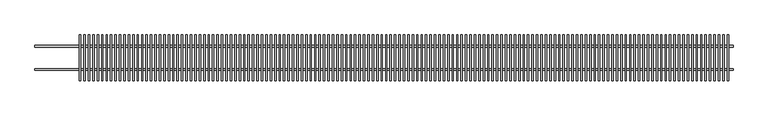
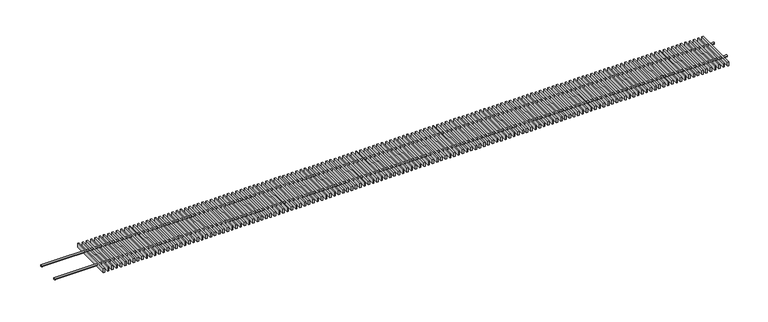
"""IFC4 building model written with IfcOpenShell, lengths in millimetres: proxy geometry."""

from ifc_helpers import new_model, si_unit, point, frame, frame_2d, origin, place, context, project, spatial, polyline, circle_curve, trimmed, segment, composite_curve, outline, extrude, source, transform, mapped, element, save


def mechanical_equipment_9ff9b8e7(model_context):
    return source(origin(), model_context, "Body", "SweptSolid", [
        extrude(outline(polyline([(2972.955414, -98.5), (2972.955414, 98.5), (2978.955414, 98.5), (2978.955414, -98.5), (2972.955414, -98.5)])), frame((0.0, 0.0, 77.0), z_axis=(0.0, 0.0, 1.0), x_axis=(1.0, 0.0, 0.0)), (0.0, 0.0, 1.0), 18.0),
        extrude(outline(polyline([(2953.910828, -98.5), (2953.910828, 98.5), (2959.910828, 98.5), (2959.910828, -98.5), (2953.910828, -98.5)])), frame((0.0, 0.0, 77.0), z_axis=(0.0, 0.0, 1.0), x_axis=(1.0, 0.0, 0.0)), (0.0, 0.0, 1.0), 18.0),
        extrude(outline(polyline([(2934.866242, -98.5), (2934.866242, 98.5), (2940.866242, 98.5), (2940.866242, -98.5), (2934.866242, -98.5)])), frame((0.0, 0.0, 77.0), z_axis=(0.0, 0.0, 1.0), x_axis=(1.0, 0.0, 0.0)), (0.0, 0.0, 1.0), 18.0),
        extrude(outline(polyline([(2915.8216561, -98.5), (2915.8216561, 98.5), (2921.8216561, 98.5), (2921.8216561, -98.5), (2915.8216561, -98.5)])), frame((0.0, 0.0, 77.0), z_axis=(0.0, 0.0, 1.0), x_axis=(1.0, 0.0, 0.0)), (0.0, 0.0, 1.0), 18.0),
        extrude(outline(polyline([(2896.7770701, -98.5), (2896.7770701, 98.5), (2902.7770701, 98.5), (2902.7770701, -98.5), (2896.7770701, -98.5)])), frame((0.0, 0.0, 77.0), z_axis=(0.0, 0.0, 1.0), x_axis=(1.0, 0.0, 0.0)), (0.0, 0.0, 1.0), 18.0),
        extrude(outline(polyline([(2877.7324841, -98.5), (2877.7324841, 98.5), (2883.7324841, 98.5), (2883.7324841, -98.5), (2877.7324841, -98.5)])), frame((0.0, 0.0, 77.0), z_axis=(0.0, 0.0, 1.0), x_axis=(1.0, 0.0, 0.0)), (0.0, 0.0, 1.0), 18.0),
        extrude(outline(polyline([(2858.6878981, -98.5), (2858.6878981, 98.5), (2864.6878981, 98.5), (2864.6878981, -98.5), (2858.6878981, -98.5)])), frame((0.0, 0.0, 77.0), z_axis=(0.0, 0.0, 1.0), x_axis=(1.0, 0.0, 0.0)), (0.0, 0.0, 1.0), 18.0),
        extrude(outline(polyline([(2839.6433121, -98.5), (2839.6433121, 98.5), (2845.6433121, 98.5), (2845.6433121, -98.5), (2839.6433121, -98.5)])), frame((0.0, 0.0, 77.0), z_axis=(0.0, 0.0, 1.0), x_axis=(1.0, 0.0, 0.0)), (0.0, 0.0, 1.0), 18.0),
        extrude(outline(polyline([(2820.5987261, -98.5), (2820.5987261, 98.5), (2826.5987261, 98.5), (2826.5987261, -98.5), (2820.5987261, -98.5)])), frame((0.0, 0.0, 77.0), z_axis=(0.0, 0.0, 1.0), x_axis=(1.0, 0.0, 0.0)), (0.0, 0.0, 1.0), 18.0),
        extrude(outline(polyline([(2801.5541401, -98.5), (2801.5541401, 98.5), (2807.5541401, 98.5), (2807.5541401, -98.5), (2801.5541401, -98.5)])), frame((0.0, 0.0, 77.0), z_axis=(0.0, 0.0, 1.0), x_axis=(1.0, 0.0, 0.0)), (0.0, 0.0, 1.0), 18.0),
        extrude(outline(polyline([(2782.5095541, -98.5), (2782.5095541, 98.5), (2788.5095541, 98.5), (2788.5095541, -98.5), (2782.5095541, -98.5)])), frame((0.0, 0.0, 77.0), z_axis=(0.0, 0.0, 1.0), x_axis=(1.0, 0.0, 0.0)), (0.0, 0.0, 1.0), 18.0),
        extrude(outline(polyline([(2763.4649682, -98.5), (2763.4649682, 98.5), (2769.4649682, 98.5), (2769.4649682, -98.5), (2763.4649682, -98.5)])), frame((0.0, 0.0, 77.0), z_axis=(0.0, 0.0, 1.0), x_axis=(1.0, 0.0, 0.0)), (0.0, 0.0, 1.0), 18.0),
        extrude(outline(polyline([(2744.4203822, -98.5), (2744.4203822, 98.5), (2750.4203822, 98.5), (2750.4203822, -98.5), (2744.4203822, -98.5)])), frame((0.0, 0.0, 77.0), z_axis=(0.0, 0.0, 1.0), x_axis=(1.0, 0.0, 0.0)), (0.0, 0.0, 1.0), 18.0),
        extrude(outline(polyline([(2725.3757962, -98.5), (2725.3757962, 98.5), (2731.3757962, 98.5), (2731.3757962, -98.5), (2725.3757962, -98.5)])), frame((0.0, 0.0, 77.0), z_axis=(0.0, 0.0, 1.0), x_axis=(1.0, 0.0, 0.0)), (0.0, 0.0, 1.0), 18.0),
        extrude(outline(polyline([(2706.3312102, -98.5), (2706.3312102, 98.5), (2712.3312102, 98.5), (2712.3312102, -98.5), (2706.3312102, -98.5)])), frame((0.0, 0.0, 77.0), z_axis=(0.0, 0.0, 1.0), x_axis=(1.0, 0.0, 0.0)), (0.0, 0.0, 1.0), 18.0),
        extrude(outline(polyline([(2687.2866242, -98.5), (2687.2866242, 98.5), (2693.2866242, 98.5), (2693.2866242, -98.5), (2687.2866242, -98.5)])), frame((0.0, 0.0, 77.0), z_axis=(0.0, 0.0, 1.0), x_axis=(1.0, 0.0, 0.0)), (0.0, 0.0, 1.0), 18.0),
        extrude(outline(polyline([(2668.2420382, -98.5), (2668.2420382, 98.5), (2674.2420382, 98.5), (2674.2420382, -98.5), (2668.2420382, -98.5)])), frame((0.0, 0.0, 77.0), z_axis=(0.0, 0.0, 1.0), x_axis=(1.0, 0.0, 0.0)), (0.0, 0.0, 1.0), 18.0),
        extrude(outline(polyline([(2649.1974522, -98.5), (2649.1974522, 98.5), (2655.1974522, 98.5), (2655.1974522, -98.5), (2649.1974522, -98.5)])), frame((0.0, 0.0, 77.0), z_axis=(0.0, 0.0, 1.0), x_axis=(1.0, 0.0, 0.0)), (0.0, 0.0, 1.0), 18.0),
        extrude(outline(polyline([(2630.1528662, -98.5), (2630.1528662, 98.5), (2636.1528662, 98.5), (2636.1528662, -98.5), (2630.1528662, -98.5)])), frame((0.0, 0.0, 77.0), z_axis=(0.0, 0.0, 1.0), x_axis=(1.0, 0.0, 0.0)), (0.0, 0.0, 1.0), 18.0),
        extrude(outline(polyline([(2611.1082803, -98.5), (2611.1082803, 98.5), (2617.1082803, 98.5), (2617.1082803, -98.5), (2611.1082803, -98.5)])), frame((0.0, 0.0, 77.0), z_axis=(0.0, 0.0, 1.0), x_axis=(1.0, 0.0, 0.0)), (0.0, 0.0, 1.0), 18.0),
        extrude(outline(polyline([(2592.0636943, -98.5), (2592.0636943, 98.5), (2598.0636943, 98.5), (2598.0636943, -98.5), (2592.0636943, -98.5)])), frame((0.0, 0.0, 77.0), z_axis=(0.0, 0.0, 1.0), x_axis=(1.0, 0.0, 0.0)), (0.0, 0.0, 1.0), 18.0),
        extrude(outline(polyline([(2573.0191083, -98.5), (2573.0191083, 98.5), (2579.0191083, 98.5), (2579.0191083, -98.5), (2573.0191083, -98.5)])), frame((0.0, 0.0, 77.0), z_axis=(0.0, 0.0, 1.0), x_axis=(1.0, 0.0, 0.0)), (0.0, 0.0, 1.0), 18.0),
        extrude(outline(polyline([(2553.9745223, -98.5), (2553.9745223, 98.5), (2559.9745223, 98.5), (2559.9745223, -98.5), (2553.9745223, -98.5)])), frame((0.0, 0.0, 77.0), z_axis=(0.0, 0.0, 1.0), x_axis=(1.0, 0.0, 0.0)), (0.0, 0.0, 1.0), 18.0),
        extrude(outline(polyline([(2534.9299363, -98.5), (2534.9299363, 98.5), (2540.9299363, 98.5), (2540.9299363, -98.5), (2534.9299363, -98.5)])), frame((0.0, 0.0, 77.0), z_axis=(0.0, 0.0, 1.0), x_axis=(1.0, 0.0, 0.0)), (0.0, 0.0, 1.0), 18.0),
        extrude(outline(polyline([(2515.8853503, -98.5), (2515.8853503, 98.5), (2521.8853503, 98.5), (2521.8853503, -98.5), (2515.8853503, -98.5)])), frame((0.0, 0.0, 77.0), z_axis=(0.0, 0.0, 1.0), x_axis=(1.0, 0.0, 0.0)), (0.0, 0.0, 1.0), 18.0),
        extrude(outline(polyline([(2496.8407643, -98.5), (2496.8407643, 98.5), (2502.8407643, 98.5), (2502.8407643, -98.5), (2496.8407643, -98.5)])), frame((0.0, 0.0, 77.0), z_axis=(0.0, 0.0, 1.0), x_axis=(1.0, 0.0, 0.0)), (0.0, 0.0, 1.0), 18.0),
        extrude(outline(polyline([(2477.7961783, -98.5), (2477.7961783, 98.5), (2483.7961783, 98.5), (2483.7961783, -98.5), (2477.7961783, -98.5)])), frame((0.0, 0.0, 77.0), z_axis=(0.0, 0.0, 1.0), x_axis=(1.0, 0.0, 0.0)), (0.0, 0.0, 1.0), 18.0),
        extrude(outline(polyline([(2458.7515924, -98.5), (2458.7515924, 98.5), (2464.7515924, 98.5), (2464.7515924, -98.5), (2458.7515924, -98.5)])), frame((0.0, 0.0, 77.0), z_axis=(0.0, 0.0, 1.0), x_axis=(1.0, 0.0, 0.0)), (0.0, 0.0, 1.0), 18.0),
        extrude(outline(polyline([(2439.7070064, -98.5), (2439.7070064, 98.5), (2445.7070064, 98.5), (2445.7070064, -98.5), (2439.7070064, -98.5)])), frame((0.0, 0.0, 77.0), z_axis=(0.0, 0.0, 1.0), x_axis=(1.0, 0.0, 0.0)), (0.0, 0.0, 1.0), 18.0),
        extrude(outline(polyline([(2420.6624204, -98.5), (2420.6624204, 98.5), (2426.6624204, 98.5), (2426.6624204, -98.5), (2420.6624204, -98.5)])), frame((0.0, 0.0, 77.0), z_axis=(0.0, 0.0, 1.0), x_axis=(1.0, 0.0, 0.0)), (0.0, 0.0, 1.0), 18.0),
        extrude(outline(polyline([(2401.6178344, -98.5), (2401.6178344, 98.5), (2407.6178344, 98.5), (2407.6178344, -98.5), (2401.6178344, -98.5)])), frame((0.0, 0.0, 77.0), z_axis=(0.0, 0.0, 1.0), x_axis=(1.0, 0.0, 0.0)), (0.0, 0.0, 1.0), 18.0),
        extrude(outline(polyline([(2382.5732484, -98.5), (2382.5732484, 98.5), (2388.5732484, 98.5), (2388.5732484, -98.5), (2382.5732484, -98.5)])), frame((0.0, 0.0, 77.0), z_axis=(0.0, 0.0, 1.0), x_axis=(1.0, 0.0, 0.0)), (0.0, 0.0, 1.0), 18.0),
        extrude(outline(polyline([(2363.5286624, -98.5), (2363.5286624, 98.5), (2369.5286624, 98.5), (2369.5286624, -98.5), (2363.5286624, -98.5)])), frame((0.0, 0.0, 77.0), z_axis=(0.0, 0.0, 1.0), x_axis=(1.0, 0.0, 0.0)), (0.0, 0.0, 1.0), 18.0),
        extrude(outline(polyline([(2344.4840764, -98.5), (2344.4840764, 98.5), (2350.4840764, 98.5), (2350.4840764, -98.5), (2344.4840764, -98.5)])), frame((0.0, 0.0, 77.0), z_axis=(0.0, 0.0, 1.0), x_axis=(1.0, 0.0, 0.0)), (0.0, 0.0, 1.0), 18.0),
        extrude(outline(polyline([(2325.4394904, -98.5), (2325.4394904, 98.5), (2331.4394904, 98.5), (2331.4394904, -98.5), (2325.4394904, -98.5)])), frame((0.0, 0.0, 77.0), z_axis=(0.0, 0.0, 1.0), x_axis=(1.0, 0.0, 0.0)), (0.0, 0.0, 1.0), 18.0),
        extrude(outline(polyline([(2306.3949045, -98.5), (2306.3949045, 98.5), (2312.3949045, 98.5), (2312.3949045, -98.5), (2306.3949045, -98.5)])), frame((0.0, 0.0, 77.0), z_axis=(0.0, 0.0, 1.0), x_axis=(1.0, 0.0, 0.0)), (0.0, 0.0, 1.0), 18.0),
        extrude(outline(polyline([(2287.3503185, -98.5), (2287.3503185, 98.5), (2293.3503185, 98.5), (2293.3503185, -98.5), (2287.3503185, -98.5)])), frame((0.0, 0.0, 77.0), z_axis=(0.0, 0.0, 1.0), x_axis=(1.0, 0.0, 0.0)), (0.0, 0.0, 1.0), 18.0),
        extrude(outline(polyline([(2268.3057325, -98.5), (2268.3057325, 98.5), (2274.3057325, 98.5), (2274.3057325, -98.5), (2268.3057325, -98.5)])), frame((0.0, 0.0, 77.0), z_axis=(0.0, 0.0, 1.0), x_axis=(1.0, 0.0, 0.0)), (0.0, 0.0, 1.0), 18.0),
        extrude(outline(polyline([(2249.2611465, -98.5), (2249.2611465, 98.5), (2255.2611465, 98.5), (2255.2611465, -98.5), (2249.2611465, -98.5)])), frame((0.0, 0.0, 77.0), z_axis=(0.0, 0.0, 1.0), x_axis=(1.0, 0.0, 0.0)), (0.0, 0.0, 1.0), 18.0),
        extrude(outline(polyline([(2230.2165605, -98.5), (2230.2165605, 98.5), (2236.2165605, 98.5), (2236.2165605, -98.5), (2230.2165605, -98.5)])), frame((0.0, 0.0, 77.0), z_axis=(0.0, 0.0, 1.0), x_axis=(1.0, 0.0, 0.0)), (0.0, 0.0, 1.0), 18.0),
        extrude(outline(polyline([(2211.1719745, -98.5), (2211.1719745, 98.5), (2217.1719745, 98.5), (2217.1719745, -98.5), (2211.1719745, -98.5)])), frame((0.0, 0.0, 77.0), z_axis=(0.0, 0.0, 1.0), x_axis=(1.0, 0.0, 0.0)), (0.0, 0.0, 1.0), 18.0),
        extrude(outline(polyline([(2192.1273885, -98.5), (2192.1273885, 98.5), (2198.1273885, 98.5), (2198.1273885, -98.5), (2192.1273885, -98.5)])), frame((0.0, 0.0, 77.0), z_axis=(0.0, 0.0, 1.0), x_axis=(1.0, 0.0, 0.0)), (0.0, 0.0, 1.0), 18.0),
        extrude(outline(polyline([(2173.0828025, -98.5), (2173.0828025, 98.5), (2179.0828025, 98.5), (2179.0828025, -98.5), (2173.0828025, -98.5)])), frame((0.0, 0.0, 77.0), z_axis=(0.0, 0.0, 1.0), x_axis=(1.0, 0.0, 0.0)), (0.0, 0.0, 1.0), 18.0),
        extrude(outline(polyline([(2154.0382166, -98.5), (2154.0382166, 98.5), (2160.0382166, 98.5), (2160.0382166, -98.5), (2154.0382166, -98.5)])), frame((0.0, 0.0, 77.0), z_axis=(0.0, 0.0, 1.0), x_axis=(1.0, 0.0, 0.0)), (0.0, 0.0, 1.0), 18.0),
        extrude(outline(polyline([(2134.9936306, -98.5), (2134.9936306, 98.5), (2140.9936306, 98.5), (2140.9936306, -98.5), (2134.9936306, -98.5)])), frame((0.0, 0.0, 77.0), z_axis=(0.0, 0.0, 1.0), x_axis=(1.0, 0.0, 0.0)), (0.0, 0.0, 1.0), 18.0),
        extrude(outline(polyline([(2115.9490446, -98.5), (2115.9490446, 98.5), (2121.9490446, 98.5), (2121.9490446, -98.5), (2115.9490446, -98.5)])), frame((0.0, 0.0, 77.0), z_axis=(0.0, 0.0, 1.0), x_axis=(1.0, 0.0, 0.0)), (0.0, 0.0, 1.0), 18.0),
        extrude(outline(polyline([(2096.9044586, -98.5), (2096.9044586, 98.5), (2102.9044586, 98.5), (2102.9044586, -98.5), (2096.9044586, -98.5)])), frame((0.0, 0.0, 77.0), z_axis=(0.0, 0.0, 1.0), x_axis=(1.0, 0.0, 0.0)), (0.0, 0.0, 1.0), 18.0),
        extrude(outline(polyline([(2077.8598726, -98.5), (2077.8598726, 98.5), (2083.8598726, 98.5), (2083.8598726, -98.5), (2077.8598726, -98.5)])), frame((0.0, 0.0, 77.0), z_axis=(0.0, 0.0, 1.0), x_axis=(1.0, 0.0, 0.0)), (0.0, 0.0, 1.0), 18.0),
        extrude(outline(polyline([(2058.8152866, -98.5), (2058.8152866, 98.5), (2064.8152866, 98.5), (2064.8152866, -98.5), (2058.8152866, -98.5)])), frame((0.0, 0.0, 77.0), z_axis=(0.0, 0.0, 1.0), x_axis=(1.0, 0.0, 0.0)), (0.0, 0.0, 1.0), 18.0),
        extrude(outline(polyline([(2039.7707006, -98.5), (2039.7707006, 98.5), (2045.7707006, 98.5), (2045.7707006, -98.5), (2039.7707006, -98.5)])), frame((0.0, 0.0, 77.0), z_axis=(0.0, 0.0, 1.0), x_axis=(1.0, 0.0, 0.0)), (0.0, 0.0, 1.0), 18.0),
        extrude(outline(polyline([(2020.7261146, -98.5), (2020.7261146, 98.5), (2026.7261146, 98.5), (2026.7261146, -98.5), (2020.7261146, -98.5)])), frame((0.0, 0.0, 77.0), z_axis=(0.0, 0.0, 1.0), x_axis=(1.0, 0.0, 0.0)), (0.0, 0.0, 1.0), 18.0),
        extrude(outline(polyline([(2001.6815287, -98.5), (2001.6815287, 98.5), (2007.6815287, 98.5), (2007.6815287, -98.5), (2001.6815287, -98.5)])), frame((0.0, 0.0, 77.0), z_axis=(0.0, 0.0, 1.0), x_axis=(1.0, 0.0, 0.0)), (0.0, 0.0, 1.0), 18.0),
        extrude(outline(polyline([(1982.6369427, -98.5), (1982.6369427, 98.5), (1988.6369427, 98.5), (1988.6369427, -98.5), (1982.6369427, -98.5)])), frame((0.0, 0.0, 77.0), z_axis=(0.0, 0.0, 1.0), x_axis=(1.0, 0.0, 0.0)), (0.0, 0.0, 1.0), 18.0),
        extrude(outline(polyline([(1963.5923567, -98.5), (1963.5923567, 98.5), (1969.5923567, 98.5), (1969.5923567, -98.5), (1963.5923567, -98.5)])), frame((0.0, 0.0, 77.0), z_axis=(0.0, 0.0, 1.0), x_axis=(1.0, 0.0, 0.0)), (0.0, 0.0, 1.0), 18.0),
        extrude(outline(polyline([(1944.5477707, -98.5), (1944.5477707, 98.5), (1950.5477707, 98.5), (1950.5477707, -98.5), (1944.5477707, -98.5)])), frame((0.0, 0.0, 77.0), z_axis=(0.0, 0.0, 1.0), x_axis=(1.0, 0.0, 0.0)), (0.0, 0.0, 1.0), 18.0),
        extrude(outline(polyline([(1925.5031847, -98.5), (1925.5031847, 98.5), (1931.5031847, 98.5), (1931.5031847, -98.5), (1925.5031847, -98.5)])), frame((0.0, 0.0, 77.0), z_axis=(0.0, 0.0, 1.0), x_axis=(1.0, 0.0, 0.0)), (0.0, 0.0, 1.0), 18.0),
        extrude(outline(polyline([(1906.4585987, -98.5), (1906.4585987, 98.5), (1912.4585987, 98.5), (1912.4585987, -98.5), (1906.4585987, -98.5)])), frame((0.0, 0.0, 77.0), z_axis=(0.0, 0.0, 1.0), x_axis=(1.0, 0.0, 0.0)), (0.0, 0.0, 1.0), 18.0),
        extrude(outline(polyline([(1887.4140127, -98.5), (1887.4140127, 98.5), (1893.4140127, 98.5), (1893.4140127, -98.5), (1887.4140127, -98.5)])), frame((0.0, 0.0, 77.0), z_axis=(0.0, 0.0, 1.0), x_axis=(1.0, 0.0, 0.0)), (0.0, 0.0, 1.0), 18.0),
        extrude(outline(polyline([(1868.3694268, -98.5), (1868.3694268, 98.5), (1874.3694268, 98.5), (1874.3694268, -98.5), (1868.3694268, -98.5)])), frame((0.0, 0.0, 77.0), z_axis=(0.0, 0.0, 1.0), x_axis=(1.0, 0.0, 0.0)), (0.0, 0.0, 1.0), 18.0),
        extrude(outline(polyline([(1849.3248408, -98.5), (1849.3248408, 98.5), (1855.3248408, 98.5), (1855.3248408, -98.5), (1849.3248408, -98.5)])), frame((0.0, 0.0, 77.0), z_axis=(0.0, 0.0, 1.0), x_axis=(1.0, 0.0, 0.0)), (0.0, 0.0, 1.0), 18.0),
        extrude(outline(polyline([(1830.2802548, -98.5), (1830.2802548, 98.5), (1836.2802548, 98.5), (1836.2802548, -98.5), (1830.2802548, -98.5)])), frame((0.0, 0.0, 77.0), z_axis=(0.0, 0.0, 1.0), x_axis=(1.0, 0.0, 0.0)), (0.0, 0.0, 1.0), 18.0),
        extrude(outline(polyline([(1811.2356688, -98.5), (1811.2356688, 98.5), (1817.2356688, 98.5), (1817.2356688, -98.5), (1811.2356688, -98.5)])), frame((0.0, 0.0, 77.0), z_axis=(0.0, 0.0, 1.0), x_axis=(1.0, 0.0, 0.0)), (0.0, 0.0, 1.0), 18.0),
        extrude(outline(polyline([(1792.1910828, -98.5), (1792.1910828, 98.5), (1798.1910828, 98.5), (1798.1910828, -98.5), (1792.1910828, -98.5)])), frame((0.0, 0.0, 77.0), z_axis=(0.0, 0.0, 1.0), x_axis=(1.0, 0.0, 0.0)), (0.0, 0.0, 1.0), 18.0),
        extrude(outline(polyline([(1773.1464968, -98.5), (1773.1464968, 98.5), (1779.1464968, 98.5), (1779.1464968, -98.5), (1773.1464968, -98.5)])), frame((0.0, 0.0, 77.0), z_axis=(0.0, 0.0, 1.0), x_axis=(1.0, 0.0, 0.0)), (0.0, 0.0, 1.0), 18.0),
        extrude(outline(polyline([(1754.1019108, -98.5), (1754.1019108, 98.5), (1760.1019108, 98.5), (1760.1019108, -98.5), (1754.1019108, -98.5)])), frame((0.0, 0.0, 77.0), z_axis=(0.0, 0.0, 1.0), x_axis=(1.0, 0.0, 0.0)), (0.0, 0.0, 1.0), 18.0),
        extrude(outline(polyline([(1735.0573248, -98.5), (1735.0573248, 98.5), (1741.0573248, 98.5), (1741.0573248, -98.5), (1735.0573248, -98.5)])), frame((0.0, 0.0, 77.0), z_axis=(0.0, 0.0, 1.0), x_axis=(1.0, 0.0, 0.0)), (0.0, 0.0, 1.0), 18.0),
        extrude(outline(polyline([(1716.0127389, -98.5), (1716.0127389, 98.5), (1722.0127389, 98.5), (1722.0127389, -98.5), (1716.0127389, -98.5)])), frame((0.0, 0.0, 77.0), z_axis=(0.0, 0.0, 1.0), x_axis=(1.0, 0.0, 0.0)), (0.0, 0.0, 1.0), 18.0),
        extrude(outline(polyline([(1696.9681529, -98.5), (1696.9681529, 98.5), (1702.9681529, 98.5), (1702.9681529, -98.5), (1696.9681529, -98.5)])), frame((0.0, 0.0, 77.0), z_axis=(0.0, 0.0, 1.0), x_axis=(1.0, 0.0, 0.0)), (0.0, 0.0, 1.0), 18.0),
        extrude(outline(polyline([(1677.9235669, -98.5), (1677.9235669, 98.5), (1683.9235669, 98.5), (1683.9235669, -98.5), (1677.9235669, -98.5)])), frame((0.0, 0.0, 77.0), z_axis=(0.0, 0.0, 1.0), x_axis=(1.0, 0.0, 0.0)), (0.0, 0.0, 1.0), 18.0),
        extrude(outline(polyline([(1658.8789809, -98.5), (1658.8789809, 98.5), (1664.8789809, 98.5), (1664.8789809, -98.5), (1658.8789809, -98.5)])), frame((0.0, 0.0, 77.0), z_axis=(0.0, 0.0, 1.0), x_axis=(1.0, 0.0, 0.0)), (0.0, 0.0, 1.0), 18.0),
        extrude(outline(polyline([(1639.8343949, -98.5), (1639.8343949, 98.5), (1645.8343949, 98.5), (1645.8343949, -98.5), (1639.8343949, -98.5)])), frame((0.0, 0.0, 77.0), z_axis=(0.0, 0.0, 1.0), x_axis=(1.0, 0.0, 0.0)), (0.0, 0.0, 1.0), 18.0),
        extrude(outline(polyline([(1620.7898089, -98.5), (1620.7898089, 98.5), (1626.7898089, 98.5), (1626.7898089, -98.5), (1620.7898089, -98.5)])), frame((0.0, 0.0, 77.0), z_axis=(0.0, 0.0, 1.0), x_axis=(1.0, 0.0, 0.0)), (0.0, 0.0, 1.0), 18.0),
        extrude(outline(polyline([(1601.7452229, -98.5), (1601.7452229, 98.5), (1607.7452229, 98.5), (1607.7452229, -98.5), (1601.7452229, -98.5)])), frame((0.0, 0.0, 77.0), z_axis=(0.0, 0.0, 1.0), x_axis=(1.0, 0.0, 0.0)), (0.0, 0.0, 1.0), 18.0),
        extrude(outline(polyline([(1582.7006369, -98.5), (1582.7006369, 98.5), (1588.7006369, 98.5), (1588.7006369, -98.5), (1582.7006369, -98.5)])), frame((0.0, 0.0, 77.0), z_axis=(0.0, 0.0, 1.0), x_axis=(1.0, 0.0, 0.0)), (0.0, 0.0, 1.0), 18.0),
        extrude(outline(polyline([(1563.656051, -98.5), (1563.656051, 98.5), (1569.656051, 98.5), (1569.656051, -98.5), (1563.656051, -98.5)])), frame((0.0, 0.0, 77.0), z_axis=(0.0, 0.0, 1.0), x_axis=(1.0, 0.0, 0.0)), (0.0, 0.0, 1.0), 18.0),
        extrude(outline(polyline([(1544.611465, -98.5), (1544.611465, 98.5), (1550.611465, 98.5), (1550.611465, -98.5), (1544.611465, -98.5)])), frame((0.0, 0.0, 77.0), z_axis=(0.0, 0.0, 1.0), x_axis=(1.0, 0.0, 0.0)), (0.0, 0.0, 1.0), 18.0),
        extrude(outline(polyline([(1525.566879, -98.5), (1525.566879, 98.5), (1531.566879, 98.5), (1531.566879, -98.5), (1525.566879, -98.5)])), frame((0.0, 0.0, 77.0), z_axis=(0.0, 0.0, 1.0), x_axis=(1.0, 0.0, 0.0)), (0.0, 0.0, 1.0), 18.0),
        extrude(outline(polyline([(1506.522293, -98.5), (1506.522293, 98.5), (1512.522293, 98.5), (1512.522293, -98.5), (1506.522293, -98.5)])), frame((0.0, 0.0, 77.0), z_axis=(0.0, 0.0, 1.0), x_axis=(1.0, 0.0, 0.0)), (0.0, 0.0, 1.0), 18.0),
        extrude(outline(polyline([(1487.477707, -98.5), (1487.477707, 98.5), (1493.477707, 98.5), (1493.477707, -98.5), (1487.477707, -98.5)])), frame((0.0, 0.0, 77.0), z_axis=(0.0, 0.0, 1.0), x_axis=(1.0, 0.0, 0.0)), (0.0, 0.0, 1.0), 18.0),
        extrude(outline(composite_curve([segment(trimmed(circle_curve(frame_2d((-50.0, 86.0)), 4.0), [point((-54.0, 86.0))], [point((-46.0, 86.0))], False, "CARTESIAN"), True, "CONTINUOUS"), segment(trimmed(circle_curve(frame_2d((-50.0, 86.0)), 4.0), [point((-46.0, 86.0))], [point((-54.0, 86.0))], False, "CARTESIAN"), True, "CONTINUOUS")], self_intersect=False)), frame((1.5, 0.0, 0.0), z_axis=(1.0, 0.0, 0.0), x_axis=(0.0, 1.0, 0.0)), (0.0, 0.0, 1.0), 2997.0),
        extrude(outline(composite_curve([segment(trimmed(circle_curve(frame_2d((50.0, 86.0)), 4.0), [point((46.0, 86.0))], [point((54.0, 86.0))], False, "CARTESIAN"), True, "CONTINUOUS"), segment(trimmed(circle_curve(frame_2d((50.0, 86.0)), 4.0), [point((54.0, 86.0))], [point((46.0, 86.0))], False, "CARTESIAN"), True, "CONTINUOUS")], self_intersect=False)), frame((1.5, 0.0, 0.0), z_axis=(1.0, 0.0, 0.0), x_axis=(0.0, 1.0, 0.0)), (0.0, 0.0, 1.0), 2997.0),
        extrude(outline(polyline([(1468.433121, -98.5), (1468.433121, 98.5), (1474.433121, 98.5), (1474.433121, -98.5), (1468.433121, -98.5)])), frame((0.0, 0.0, 77.0), z_axis=(0.0, 0.0, 1.0), x_axis=(1.0, 0.0, 0.0)), (0.0, 0.0, 1.0), 18.0),
        extrude(outline(polyline([(1449.388535, -98.5), (1449.388535, 98.5), (1455.388535, 98.5), (1455.388535, -98.5), (1449.388535, -98.5)])), frame((0.0, 0.0, 77.0), z_axis=(0.0, 0.0, 1.0), x_axis=(1.0, 0.0, 0.0)), (0.0, 0.0, 1.0), 18.0),
        extrude(outline(polyline([(1430.343949, -98.5), (1430.343949, 98.5), (1436.343949, 98.5), (1436.343949, -98.5), (1430.343949, -98.5)])), frame((0.0, 0.0, 77.0), z_axis=(0.0, 0.0, 1.0), x_axis=(1.0, 0.0, 0.0)), (0.0, 0.0, 1.0), 18.0),
        extrude(outline(polyline([(1411.2993631, -98.5), (1411.2993631, 98.5), (1417.2993631, 98.5), (1417.2993631, -98.5), (1411.2993631, -98.5)])), frame((0.0, 0.0, 77.0), z_axis=(0.0, 0.0, 1.0), x_axis=(1.0, 0.0, 0.0)), (0.0, 0.0, 1.0), 18.0),
        extrude(outline(polyline([(1392.2547771, -98.5), (1392.2547771, 98.5), (1398.2547771, 98.5), (1398.2547771, -98.5), (1392.2547771, -98.5)])), frame((0.0, 0.0, 77.0), z_axis=(0.0, 0.0, 1.0), x_axis=(1.0, 0.0, 0.0)), (0.0, 0.0, 1.0), 18.0),
        extrude(outline(polyline([(1373.2101911, -98.5), (1373.2101911, 98.5), (1379.2101911, 98.5), (1379.2101911, -98.5), (1373.2101911, -98.5)])), frame((0.0, 0.0, 77.0), z_axis=(0.0, 0.0, 1.0), x_axis=(1.0, 0.0, 0.0)), (0.0, 0.0, 1.0), 18.0),
        extrude(outline(polyline([(1354.1656051, -98.5), (1354.1656051, 98.5), (1360.1656051, 98.5), (1360.1656051, -98.5), (1354.1656051, -98.5)])), frame((0.0, 0.0, 77.0), z_axis=(0.0, 0.0, 1.0), x_axis=(1.0, 0.0, 0.0)), (0.0, 0.0, 1.0), 18.0),
        extrude(outline(polyline([(1335.1210191, -98.5), (1335.1210191, 98.5), (1341.1210191, 98.5), (1341.1210191, -98.5), (1335.1210191, -98.5)])), frame((0.0, 0.0, 77.0), z_axis=(0.0, 0.0, 1.0), x_axis=(1.0, 0.0, 0.0)), (0.0, 0.0, 1.0), 18.0),
        extrude(outline(polyline([(1316.0764331, -98.5), (1316.0764331, 98.5), (1322.0764331, 98.5), (1322.0764331, -98.5), (1316.0764331, -98.5)])), frame((0.0, 0.0, 77.0), z_axis=(0.0, 0.0, 1.0), x_axis=(1.0, 0.0, 0.0)), (0.0, 0.0, 1.0), 18.0),
        extrude(outline(polyline([(1297.0318471, -98.5), (1297.0318471, 98.5), (1303.0318471, 98.5), (1303.0318471, -98.5), (1297.0318471, -98.5)])), frame((0.0, 0.0, 77.0), z_axis=(0.0, 0.0, 1.0), x_axis=(1.0, 0.0, 0.0)), (0.0, 0.0, 1.0), 18.0),
        extrude(outline(polyline([(1277.9872611, -98.5), (1277.9872611, 98.5), (1283.9872611, 98.5), (1283.9872611, -98.5), (1277.9872611, -98.5)])), frame((0.0, 0.0, 77.0), z_axis=(0.0, 0.0, 1.0), x_axis=(1.0, 0.0, 0.0)), (0.0, 0.0, 1.0), 18.0),
        extrude(outline(polyline([(1258.9426752, -98.5), (1258.9426752, 98.5), (1264.9426752, 98.5), (1264.9426752, -98.5), (1258.9426752, -98.5)])), frame((0.0, 0.0, 77.0), z_axis=(0.0, 0.0, 1.0), x_axis=(1.0, 0.0, 0.0)), (0.0, 0.0, 1.0), 18.0),
        extrude(outline(polyline([(1239.8980892, -98.5), (1239.8980892, 98.5), (1245.8980892, 98.5), (1245.8980892, -98.5), (1239.8980892, -98.5)])), frame((0.0, 0.0, 77.0), z_axis=(0.0, 0.0, 1.0), x_axis=(1.0, 0.0, 0.0)), (0.0, 0.0, 1.0), 18.0),
        extrude(outline(polyline([(1220.8535032, -98.5), (1220.8535032, 98.5), (1226.8535032, 98.5), (1226.8535032, -98.5), (1220.8535032, -98.5)])), frame((0.0, 0.0, 77.0), z_axis=(0.0, 0.0, 1.0), x_axis=(1.0, 0.0, 0.0)), (0.0, 0.0, 1.0), 18.0),
        extrude(outline(polyline([(1201.8089172, -98.5), (1201.8089172, 98.5), (1207.8089172, 98.5), (1207.8089172, -98.5), (1201.8089172, -98.5)])), frame((0.0, 0.0, 77.0), z_axis=(0.0, 0.0, 1.0), x_axis=(1.0, 0.0, 0.0)), (0.0, 0.0, 1.0), 18.0),
        extrude(outline(polyline([(1182.7643312, -98.5), (1182.7643312, 98.5), (1188.7643312, 98.5), (1188.7643312, -98.5), (1182.7643312, -98.5)])), frame((0.0, 0.0, 77.0), z_axis=(0.0, 0.0, 1.0), x_axis=(1.0, 0.0, 0.0)), (0.0, 0.0, 1.0), 18.0),
        extrude(outline(polyline([(1163.7197452, -98.5), (1163.7197452, 98.5), (1169.7197452, 98.5), (1169.7197452, -98.5), (1163.7197452, -98.5)])), frame((0.0, 0.0, 77.0), z_axis=(0.0, 0.0, 1.0), x_axis=(1.0, 0.0, 0.0)), (0.0, 0.0, 1.0), 18.0),
        extrude(outline(polyline([(1144.6751592, -98.5), (1144.6751592, 98.5), (1150.6751592, 98.5), (1150.6751592, -98.5), (1144.6751592, -98.5)])), frame((0.0, 0.0, 77.0), z_axis=(0.0, 0.0, 1.0), x_axis=(1.0, 0.0, 0.0)), (0.0, 0.0, 1.0), 18.0),
        extrude(outline(polyline([(1125.6305732, -98.5), (1125.6305732, 98.5), (1131.6305732, 98.5), (1131.6305732, -98.5), (1125.6305732, -98.5)])), frame((0.0, 0.0, 77.0), z_axis=(0.0, 0.0, 1.0), x_axis=(1.0, 0.0, 0.0)), (0.0, 0.0, 1.0), 18.0),
        extrude(outline(polyline([(1106.5859873, -98.5), (1106.5859873, 98.5), (1112.5859873, 98.5), (1112.5859873, -98.5), (1106.5859873, -98.5)])), frame((0.0, 0.0, 77.0), z_axis=(0.0, 0.0, 1.0), x_axis=(1.0, 0.0, 0.0)), (0.0, 0.0, 1.0), 18.0),
        extrude(outline(polyline([(1087.5414013, -98.5), (1087.5414013, 98.5), (1093.5414013, 98.5), (1093.5414013, -98.5), (1087.5414013, -98.5)])), frame((0.0, 0.0, 77.0), z_axis=(0.0, 0.0, 1.0), x_axis=(1.0, 0.0, 0.0)), (0.0, 0.0, 1.0), 18.0),
        extrude(outline(polyline([(1068.4968153, -98.5), (1068.4968153, 98.5), (1074.4968153, 98.5), (1074.4968153, -98.5), (1068.4968153, -98.5)])), frame((0.0, 0.0, 77.0), z_axis=(0.0, 0.0, 1.0), x_axis=(1.0, 0.0, 0.0)), (0.0, 0.0, 1.0), 18.0),
        extrude(outline(polyline([(1049.4522293, -98.5), (1049.4522293, 98.5), (1055.4522293, 98.5), (1055.4522293, -98.5), (1049.4522293, -98.5)])), frame((0.0, 0.0, 77.0), z_axis=(0.0, 0.0, 1.0), x_axis=(1.0, 0.0, 0.0)), (0.0, 0.0, 1.0), 18.0),
        extrude(outline(polyline([(1030.4076433, -98.5), (1030.4076433, 98.5), (1036.4076433, 98.5), (1036.4076433, -98.5), (1030.4076433, -98.5)])), frame((0.0, 0.0, 77.0), z_axis=(0.0, 0.0, 1.0), x_axis=(1.0, 0.0, 0.0)), (0.0, 0.0, 1.0), 18.0),
        extrude(outline(polyline([(1011.3630573, -98.5), (1011.3630573, 98.5), (1017.3630573, 98.5), (1017.3630573, -98.5), (1011.3630573, -98.5)])), frame((0.0, 0.0, 77.0), z_axis=(0.0, 0.0, 1.0), x_axis=(1.0, 0.0, 0.0)), (0.0, 0.0, 1.0), 18.0),
        extrude(outline(polyline([(992.3184713, -98.5), (992.3184713, 98.5), (998.3184713, 98.5), (998.3184713, -98.5), (992.3184713, -98.5)])), frame((0.0, 0.0, 77.0), z_axis=(0.0, 0.0, 1.0), x_axis=(1.0, 0.0, 0.0)), (0.0, 0.0, 1.0), 18.0),
        extrude(outline(polyline([(973.2738854, -98.5), (973.2738854, 98.5), (979.2738854, 98.5), (979.2738854, -98.5), (973.2738854, -98.5)])), frame((0.0, 0.0, 77.0), z_axis=(0.0, 0.0, 1.0), x_axis=(1.0, 0.0, 0.0)), (0.0, 0.0, 1.0), 18.0),
        extrude(outline(polyline([(954.2292994, -98.5), (954.2292994, 98.5), (960.2292994, 98.5), (960.2292994, -98.5), (954.2292994, -98.5)])), frame((0.0, 0.0, 77.0), z_axis=(0.0, 0.0, 1.0), x_axis=(1.0, 0.0, 0.0)), (0.0, 0.0, 1.0), 18.0),
        extrude(outline(polyline([(935.1847134, -98.5), (935.1847134, 98.5), (941.1847134, 98.5), (941.1847134, -98.5), (935.1847134, -98.5)])), frame((0.0, 0.0, 77.0), z_axis=(0.0, 0.0, 1.0), x_axis=(1.0, 0.0, 0.0)), (0.0, 0.0, 1.0), 18.0),
        extrude(outline(polyline([(916.1401274, -98.5), (916.1401274, 98.5), (922.1401274, 98.5), (922.1401274, -98.5), (916.1401274, -98.5)])), frame((0.0, 0.0, 77.0), z_axis=(0.0, 0.0, 1.0), x_axis=(1.0, 0.0, 0.0)), (0.0, 0.0, 1.0), 18.0),
        extrude(outline(polyline([(897.0955414, -98.5), (897.0955414, 98.5), (903.0955414, 98.5), (903.0955414, -98.5), (897.0955414, -98.5)])), frame((0.0, 0.0, 77.0), z_axis=(0.0, 0.0, 1.0), x_axis=(1.0, 0.0, 0.0)), (0.0, 0.0, 1.0), 18.0),
        extrude(outline(polyline([(878.0509554, -98.5), (878.0509554, 98.5), (884.0509554, 98.5), (884.0509554, -98.5), (878.0509554, -98.5)])), frame((0.0, 0.0, 77.0), z_axis=(0.0, 0.0, 1.0), x_axis=(1.0, 0.0, 0.0)), (0.0, 0.0, 1.0), 18.0),
        extrude(outline(polyline([(859.0063694, -98.5), (859.0063694, 98.5), (865.0063694, 98.5), (865.0063694, -98.5), (859.0063694, -98.5)])), frame((0.0, 0.0, 77.0), z_axis=(0.0, 0.0, 1.0), x_axis=(1.0, 0.0, 0.0)), (0.0, 0.0, 1.0), 18.0),
        extrude(outline(polyline([(839.9617834, -98.5), (839.9617834, 98.5), (845.9617834, 98.5), (845.9617834, -98.5), (839.9617834, -98.5)])), frame((0.0, 0.0, 77.0), z_axis=(0.0, 0.0, 1.0), x_axis=(1.0, 0.0, 0.0)), (0.0, 0.0, 1.0), 18.0),
        extrude(outline(polyline([(820.9171975, -98.5), (820.9171975, 98.5), (826.9171975, 98.5), (826.9171975, -98.5), (820.9171975, -98.5)])), frame((0.0, 0.0, 77.0), z_axis=(0.0, 0.0, 1.0), x_axis=(1.0, 0.0, 0.0)), (0.0, 0.0, 1.0), 18.0),
        extrude(outline(polyline([(801.8726115, -98.5), (801.8726115, 98.5), (807.8726115, 98.5), (807.8726115, -98.5), (801.8726115, -98.5)])), frame((0.0, 0.0, 77.0), z_axis=(0.0, 0.0, 1.0), x_axis=(1.0, 0.0, 0.0)), (0.0, 0.0, 1.0), 18.0),
        extrude(outline(polyline([(782.8280255, -98.5), (782.8280255, 98.5), (788.8280255, 98.5), (788.8280255, -98.5), (782.8280255, -98.5)])), frame((0.0, 0.0, 77.0), z_axis=(0.0, 0.0, 1.0), x_axis=(1.0, 0.0, 0.0)), (0.0, 0.0, 1.0), 18.0),
        extrude(outline(polyline([(763.7834395, -98.5), (763.7834395, 98.5), (769.7834395, 98.5), (769.7834395, -98.5), (763.7834395, -98.5)])), frame((0.0, 0.0, 77.0), z_axis=(0.0, 0.0, 1.0), x_axis=(1.0, 0.0, 0.0)), (0.0, 0.0, 1.0), 18.0),
        extrude(outline(polyline([(744.7388535, -98.5), (744.7388535, 98.5), (750.7388535, 98.5), (750.7388535, -98.5), (744.7388535, -98.5)])), frame((0.0, 0.0, 77.0), z_axis=(0.0, 0.0, 1.0), x_axis=(1.0, 0.0, 0.0)), (0.0, 0.0, 1.0), 18.0),
        extrude(outline(polyline([(725.6942675, -98.5), (725.6942675, 98.5), (731.6942675, 98.5), (731.6942675, -98.5), (725.6942675, -98.5)])), frame((0.0, 0.0, 77.0), z_axis=(0.0, 0.0, 1.0), x_axis=(1.0, 0.0, 0.0)), (0.0, 0.0, 1.0), 18.0),
        extrude(outline(polyline([(706.6496815, -98.5), (706.6496815, 98.5), (712.6496815, 98.5), (712.6496815, -98.5), (706.6496815, -98.5)])), frame((0.0, 0.0, 77.0), z_axis=(0.0, 0.0, 1.0), x_axis=(1.0, 0.0, 0.0)), (0.0, 0.0, 1.0), 18.0),
        extrude(outline(polyline([(687.6050955, -98.5), (687.6050955, 98.5), (693.6050955, 98.5), (693.6050955, -98.5), (687.6050955, -98.5)])), frame((0.0, 0.0, 77.0), z_axis=(0.0, 0.0, 1.0), x_axis=(1.0, 0.0, 0.0)), (0.0, 0.0, 1.0), 18.0),
        extrude(outline(polyline([(668.5605096, -98.5), (668.5605096, 98.5), (674.5605096, 98.5), (674.5605096, -98.5), (668.5605096, -98.5)])), frame((0.0, 0.0, 77.0), z_axis=(0.0, 0.0, 1.0), x_axis=(1.0, 0.0, 0.0)), (0.0, 0.0, 1.0), 18.0),
        extrude(outline(polyline([(649.5159236, -98.5), (649.5159236, 98.5), (655.5159236, 98.5), (655.5159236, -98.5), (649.5159236, -98.5)])), frame((0.0, 0.0, 77.0), z_axis=(0.0, 0.0, 1.0), x_axis=(1.0, 0.0, 0.0)), (0.0, 0.0, 1.0), 18.0),
        extrude(outline(polyline([(630.4713376, -98.5), (630.4713376, 98.5), (636.4713376, 98.5), (636.4713376, -98.5), (630.4713376, -98.5)])), frame((0.0, 0.0, 77.0), z_axis=(0.0, 0.0, 1.0), x_axis=(1.0, 0.0, 0.0)), (0.0, 0.0, 1.0), 18.0),
        extrude(outline(polyline([(611.4267516, -98.5), (611.4267516, 98.5), (617.4267516, 98.5), (617.4267516, -98.5), (611.4267516, -98.5)])), frame((0.0, 0.0, 77.0), z_axis=(0.0, 0.0, 1.0), x_axis=(1.0, 0.0, 0.0)), (0.0, 0.0, 1.0), 18.0),
        extrude(outline(polyline([(592.3821656, -98.5), (592.3821656, 98.5), (598.3821656, 98.5), (598.3821656, -98.5), (592.3821656, -98.5)])), frame((0.0, 0.0, 77.0), z_axis=(0.0, 0.0, 1.0), x_axis=(1.0, 0.0, 0.0)), (0.0, 0.0, 1.0), 18.0),
        extrude(outline(polyline([(573.3375796, -98.5), (573.3375796, 98.5), (579.3375796, 98.5), (579.3375796, -98.5), (573.3375796, -98.5)])), frame((0.0, 0.0, 77.0), z_axis=(0.0, 0.0, 1.0), x_axis=(1.0, 0.0, 0.0)), (0.0, 0.0, 1.0), 18.0),
        extrude(outline(polyline([(554.2929936, -98.5), (554.2929936, 98.5), (560.2929936, 98.5), (560.2929936, -98.5), (554.2929936, -98.5)])), frame((0.0, 0.0, 77.0), z_axis=(0.0, 0.0, 1.0), x_axis=(1.0, 0.0, 0.0)), (0.0, 0.0, 1.0), 18.0),
        extrude(outline(polyline([(535.2484076, -98.5), (535.2484076, 98.5), (541.2484076, 98.5), (541.2484076, -98.5), (535.2484076, -98.5)])), frame((0.0, 0.0, 77.0), z_axis=(0.0, 0.0, 1.0), x_axis=(1.0, 0.0, 0.0)), (0.0, 0.0, 1.0), 18.0),
        extrude(outline(polyline([(516.2038217, -98.5), (516.2038217, 98.5), (522.2038217, 98.5), (522.2038217, -98.5), (516.2038217, -98.5)])), frame((0.0, 0.0, 77.0), z_axis=(0.0, 0.0, 1.0), x_axis=(1.0, 0.0, 0.0)), (0.0, 0.0, 1.0), 18.0),
        extrude(outline(polyline([(497.1592357, -98.5), (497.1592357, 98.5), (503.1592357, 98.5), (503.1592357, -98.5), (497.1592357, -98.5)])), frame((0.0, 0.0, 77.0), z_axis=(0.0, 0.0, 1.0), x_axis=(1.0, 0.0, 0.0)), (0.0, 0.0, 1.0), 18.0),
        extrude(outline(polyline([(478.1146497, -98.5), (478.1146497, 98.5), (484.1146497, 98.5), (484.1146497, -98.5), (478.1146497, -98.5)])), frame((0.0, 0.0, 77.0), z_axis=(0.0, 0.0, 1.0), x_axis=(1.0, 0.0, 0.0)), (0.0, 0.0, 1.0), 18.0),
        extrude(outline(polyline([(459.0700637, -98.5), (459.0700637, 98.5), (465.0700637, 98.5), (465.0700637, -98.5), (459.0700637, -98.5)])), frame((0.0, 0.0, 77.0), z_axis=(0.0, 0.0, 1.0), x_axis=(1.0, 0.0, 0.0)), (0.0, 0.0, 1.0), 18.0),
        extrude(outline(polyline([(440.0254777, -98.5), (440.0254777, 98.5), (446.0254777, 98.5), (446.0254777, -98.5), (440.0254777, -98.5)])), frame((0.0, 0.0, 77.0), z_axis=(0.0, 0.0, 1.0), x_axis=(1.0, 0.0, 0.0)), (0.0, 0.0, 1.0), 18.0),
        extrude(outline(polyline([(420.9808917, -98.5), (420.9808917, 98.5), (426.9808917, 98.5), (426.9808917, -98.5), (420.9808917, -98.5)])), frame((0.0, 0.0, 77.0), z_axis=(0.0, 0.0, 1.0), x_axis=(1.0, 0.0, 0.0)), (0.0, 0.0, 1.0), 18.0),
        extrude(outline(polyline([(401.9363057, -98.5), (401.9363057, 98.5), (407.9363057, 98.5), (407.9363057, -98.5), (401.9363057, -98.5)])), frame((0.0, 0.0, 77.0), z_axis=(0.0, 0.0, 1.0), x_axis=(1.0, 0.0, 0.0)), (0.0, 0.0, 1.0), 18.0),
        extrude(outline(polyline([(382.8917197, -98.5), (382.8917197, 98.5), (388.8917197, 98.5), (388.8917197, -98.5), (382.8917197, -98.5)])), frame((0.0, 0.0, 77.0), z_axis=(0.0, 0.0, 1.0), x_axis=(1.0, 0.0, 0.0)), (0.0, 0.0, 1.0), 18.0),
        extrude(outline(polyline([(363.8471338, -98.5), (363.8471338, 98.5), (369.8471338, 98.5), (369.8471338, -98.5), (363.8471338, -98.5)])), frame((0.0, 0.0, 77.0), z_axis=(0.0, 0.0, 1.0), x_axis=(1.0, 0.0, 0.0)), (0.0, 0.0, 1.0), 18.0),
        extrude(outline(polyline([(344.8025478, -98.5), (344.8025478, 98.5), (350.8025478, 98.5), (350.8025478, -98.5), (344.8025478, -98.5)])), frame((0.0, 0.0, 77.0), z_axis=(0.0, 0.0, 1.0), x_axis=(1.0, 0.0, 0.0)), (0.0, 0.0, 1.0), 18.0),
        extrude(outline(polyline([(325.7579618, -98.5), (325.7579618, 98.5), (331.7579618, 98.5), (331.7579618, -98.5), (325.7579618, -98.5)])), frame((0.0, 0.0, 77.0), z_axis=(0.0, 0.0, 1.0), x_axis=(1.0, 0.0, 0.0)), (0.0, 0.0, 1.0), 18.0),
        extrude(outline(polyline([(306.7133758, -98.5), (306.7133758, 98.5), (312.7133758, 98.5), (312.7133758, -98.5), (306.7133758, -98.5)])), frame((0.0, 0.0, 77.0), z_axis=(0.0, 0.0, 1.0), x_axis=(1.0, 0.0, 0.0)), (0.0, 0.0, 1.0), 18.0),
        extrude(outline(polyline([(287.6687898, -98.5), (287.6687898, 98.5), (293.6687898, 98.5), (293.6687898, -98.5), (287.6687898, -98.5)])), frame((0.0, 0.0, 77.0), z_axis=(0.0, 0.0, 1.0), x_axis=(1.0, 0.0, 0.0)), (0.0, 0.0, 1.0), 18.0),
        extrude(outline(polyline([(268.6242038, -98.5), (268.6242038, 98.5), (274.6242038, 98.5), (274.6242038, -98.5), (268.6242038, -98.5)])), frame((0.0, 0.0, 77.0), z_axis=(0.0, 0.0, 1.0), x_axis=(1.0, 0.0, 0.0)), (0.0, 0.0, 1.0), 18.0),
        extrude(outline(polyline([(249.5796178, -98.5), (249.5796178, 98.5), (255.5796178, 98.5), (255.5796178, -98.5), (249.5796178, -98.5)])), frame((0.0, 0.0, 77.0), z_axis=(0.0, 0.0, 1.0), x_axis=(1.0, 0.0, 0.0)), (0.0, 0.0, 1.0), 18.0),
        extrude(outline(polyline([(230.5350318, -98.5), (230.5350318, 98.5), (236.5350318, 98.5), (236.5350318, -98.5), (230.5350318, -98.5)])), frame((0.0, 0.0, 77.0), z_axis=(0.0, 0.0, 1.0), x_axis=(1.0, 0.0, 0.0)), (0.0, 0.0, 1.0), 18.0),
        extrude(outline(polyline([(211.4904459, -98.5), (211.4904459, 98.5), (217.4904459, 98.5), (217.4904459, -98.5), (211.4904459, -98.5)])), frame((0.0, 0.0, 77.0), z_axis=(0.0, 0.0, 1.0), x_axis=(1.0, 0.0, 0.0)), (0.0, 0.0, 1.0), 18.0),
        extrude(outline(polyline([(192.4458599, -98.5), (192.4458599, 98.5), (198.4458599, 98.5), (198.4458599, -98.5), (192.4458599, -98.5)])), frame((0.0, 0.0, 77.0), z_axis=(0.0, 0.0, 1.0), x_axis=(1.0, 0.0, 0.0)), (0.0, 0.0, 1.0), 18.0),
    ])


if __name__ == "__main__":
    model = new_model("IFC4")
    model_context = context("Model", 3, world=origin())
    ifc_project = project(units=[si_unit("LENGTHUNIT", "METRE", prefix="MILLI")], contexts=[model_context])
    site = spatial("IfcSite", under=ifc_project)
    building = spatial("IfcBuilding", under=site)
    placement = place(None, origin())
    mechanical_equipment_shape = mechanical_equipment_9ff9b8e7(model_context)
    element("IfcBuildingElementProxy", 1, Name="Mechanical Equipment", at=placement, inside=building, context=model_context, shape_type="MappedRepresentation", body=[
        mapped(mechanical_equipment_shape, transform((0.0, 0.0, 0.0), x_axis=(1.0, 0.0, 0.0), y_axis=(0.0, 1.0, 0.0), z_axis=(0.0, 0.0, 1.0))),
    ])
    save(model, "model.ifc")
